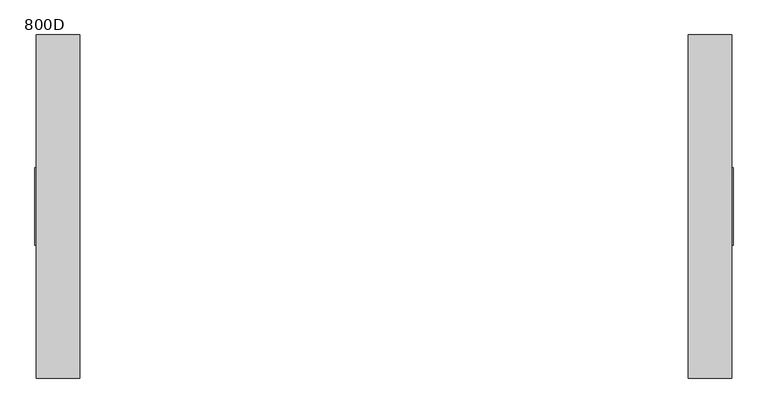
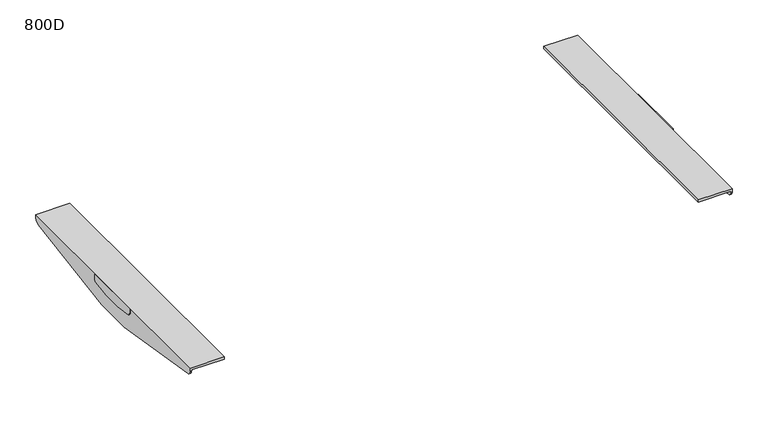
"""IFC4 building model written with IfcOpenShell, lengths in millimetres: furniture geometry, 800D."""

from ifc_helpers import new_model, si_unit, point, frame, frame_2d, origin, place, context, project, spatial, polyline, circle_curve, trimmed, segment, composite_curve, outline, extrude, source, transform, mapped, element, save
from ifc_brep_helpers import plane_surface, cylinder_surface, advanced_brep


def furniture_800d_79385704(model_context):
    return source(origin(), model_context, "Body", "SolidModel", [
        advanced_brep(
        [(583.0000006, -287.4963324, 716.0), (510.0000017, -287.4963324, 716.0), (510.0000017, -287.4963324, 710.4999723), (580.0000009, -287.4963324, 710.4999723), (580.0000009, -287.4963324, 708.4998128), (583.0000006, -287.4963324, 708.4998128), (580.0000009, 287.5036993, 710.4999723), (510.0000017, 287.5036993, 710.4999723), (510.0000017, 287.5036993, 716.0), (583.0000006, 287.5036993, 716.0), (583.0000006, 287.5036993, 708.4997591), (580.0000009, 287.5036993, 708.4997591), (580.0000009, 279.1150126, 698.6304207), (580.0000009, 42.5041219, 660.0), (580.0000009, -42.4967459, 660.0), (580.0000009, -279.1076002, 698.6304207), (583.0000006, -279.1076002, 698.6304207), (583.0000006, -42.4967459, 660.0), (583.0000006, 42.5041219, 660.0), (583.0000006, 279.1150126, 698.6304207)],
        [
            (0, 1),
            (1, 2),
            (2, 3),
            (3, 4),
            (4, 5),
            (5, 0),
            (6, 7),
            (7, 8),
            (8, 9),
            (9, 10),
            (10, 11),
            (11, 6),
            (3, 6),
            (11, 12, circle_curve(frame((580.0000009, 277.503689, 708.4997591), z_axis=(-1.0, 0.0, 0.0), x_axis=(0.0, 1.0, 0.0)), 10.0000103)),
            (12, 13),
            (13, 14),
            (14, 15),
            (15, 4, circle_curve(frame((580.0000009, -277.4962677, 708.4998128), z_axis=(-1.0, 0.0, 0.0), x_axis=(0.0, 1.0, 0.0)), 10.0000647)),
            (2, 7),
            (1, 8),
            (0, 9),
            (5, 16, circle_curve(frame((583.0000006, -277.4962677, 708.4998128), z_axis=(1.0, 0.0, 0.0), x_axis=(0.0, 1.0, 0.0)), 10.0000647)),
            (16, 17),
            (17, 18),
            (18, 19),
            (19, 10, circle_curve(frame((583.0000006, 277.503689, 708.4997591), z_axis=(1.0, 0.0, 0.0), x_axis=(0.0, 1.0, 0.0)), 10.0000103)),
            (17, 14),
            (13, 18),
            (12, 19),
            (16, 15),
        ],
        [
            plane_surface(frame((583.0000006, -287.4963324, 660.0), z_axis=(0.0, -1.0, 0.0), x_axis=(1.0, 0.0, 0.0))),
            plane_surface(frame((583.0000006, 287.5036993, 660.0), z_axis=(0.0, 1.0, 0.0), x_axis=(-1.0, 0.0, 0.0))),
            plane_surface(frame((580.0000009, -287.4963324, 710.4999723), z_axis=(-1.0, 0.0, 0.0), x_axis=(0.0, 1.0, 0.0))),
            plane_surface(frame((510.0000017, -287.4963324, 710.4999723), z_axis=(0.0, 0.0, -1.0), x_axis=(0.0, 1.0, 0.0))),
            plane_surface(frame((510.0000017, -287.4963324, 716.0), z_axis=(-1.0, 0.0, 0.0), x_axis=(0.0, 1.0, 0.0))),
            plane_surface(frame((583.0000006, -287.4963324, 716.0), z_axis=(0.0, 0.0, 1.0), x_axis=(0.0, 1.0, 0.0))),
            plane_surface(frame((583.0000006, -287.4963324, 660.0), z_axis=(1.0, 0.0, 0.0), x_axis=(0.0, 1.0, 0.0))),
            plane_surface(frame((580.0000009, -287.4963324, 660.0), z_axis=(0.0, 0.0, -1.0), x_axis=(0.0, 1.0, 0.0))),
            plane_surface(frame((510.0000017, 42.5041219, 660.0), z_axis=(0.0, 0.16113218812194072, -0.9869328335560813), x_axis=(1.0, 0.0, 0.0))),
            cylinder_surface(frame((585.0, 277.503689, 708.4997591), z_axis=(1.0, 0.0, 0.0), x_axis=(0.0, 1.0, 0.0)), 10.0000103),
            plane_surface(frame((510.0000017, -279.1076002, 698.6304207), z_axis=(0.0, -0.16113221222328436, -0.9869328296211605), x_axis=(1.0, 0.0, 0.0))),
            cylinder_surface(frame((1200.0, -277.4962677, 708.4998128), z_axis=(1.0, 0.0, 0.0), x_axis=(0.0, 1.0, 0.0)), 10.0000647),
        ],
        [
            (0, [[1, 2, 3, 4, 5, 6]]),
            (1, [[7, 8, 9, 10, 11, 12]]),
            (2, [[13, -12, 14, 15, 16, 17, 18, -4]]),
            (3, [[-3, 19, -7, -13]]),
            (4, [[-2, 20, -8, -19]]),
            (5, [[-1, 21, -9, -20]]),
            (6, [[-21, -6, 22, 23, 24, 25, 26, -10]]),
            (7, [[-24, 27, -16, 28]]),
            (8, [[29, -25, -28, -15]]),
            (9, [[-29, -14, -11, -26]]),
            (10, [[30, -17, -27, -23]]),
            (11, [[-30, -22, -5, -18]]),
        ],
    ),
        extrude(outline(composite_curve([segment(polyline([(-64.9962871, 716.0), (65.0036994, 716.0), (65.0036994, 705.7477915)]), True, "CONTINUOUS"), segment(trimmed(circle_curve(frame_2d((60.0513722, 705.7477915)), 4.9523271), [point((65.0036994, 705.7477915))], [point((60.8052275, 700.8531775))], False, "CARTESIAN"), True, "CONTINUOUS"), segment(polyline([(60.8052275, 700.8531775), (22.2562903, 694.5405645), (-21.9956935, 694.5405645), (-60.8043191, 700.8134996)]), True, "CONTINUOUS"), segment(trimmed(circle_curve(frame_2d((-59.996269, 705.7477915)), 5.0000181), [point((-60.8043191, 700.8134996))], [point((-64.9962871, 705.7477915))], False, "CARTESIAN"), True, "CONTINUOUS"), segment(polyline([(-64.9962871, 705.7477915), (-64.9962871, 716.0)]), True, "CONTINUOUS")], self_intersect=False)), frame((583.0000006, 0.0, 0.0), z_axis=(1.0, 0.0, 0.0), x_axis=(0.0, 1.0, 0.0)), (0.0, 0.0, 1.0), 1.9999994),
        advanced_brep(
        [(-580.0000009, -287.4963324, 710.4999723), (-510.0000017, -287.4963324, 710.4999723), (-510.0000017, -287.4963324, 716.0), (-583.0000006, -287.4963324, 716.0), (-583.0000006, -287.4963324, 708.4998128), (-580.0000009, -287.4963324, 708.4998128), (-583.0000006, 287.5036993, 716.0), (-510.0000017, 287.5036993, 716.0), (-510.0000017, 287.5036993, 710.4999723), (-580.0000009, 287.5036993, 710.4999723), (-580.0000009, 287.5036993, 708.4997591), (-583.0000006, 287.5036993, 708.4997591), (-580.0000009, -279.1076002, 698.6304207), (-580.0000009, -42.4967459, 660.0), (-580.0000009, 42.5041219, 660.0), (-580.0000009, 279.1150126, 698.6304207), (-583.0000006, 279.1150126, 698.6304207), (-583.0000006, 42.5041219, 660.0), (-583.0000006, -42.4967459, 660.0), (-583.0000006, -279.1076002, 698.6304207)],
        [
            (0, 1),
            (1, 2),
            (2, 3),
            (3, 4),
            (4, 5),
            (5, 0),
            (6, 7),
            (7, 8),
            (8, 9),
            (9, 10),
            (10, 11),
            (11, 6),
            (9, 0),
            (5, 12, circle_curve(frame((-580.0000009, -277.4962677, 708.4998128), z_axis=(1.0, 0.0, 0.0), x_axis=(0.0, 1.0, 0.0)), 10.0000647)),
            (12, 13),
            (13, 14),
            (14, 15),
            (15, 10, circle_curve(frame((-580.0000009, 277.503689, 708.4997591), z_axis=(1.0, 0.0, 0.0), x_axis=(0.0, 1.0, 0.0)), 10.0000103)),
            (8, 1),
            (7, 2),
            (6, 3),
            (11, 16, circle_curve(frame((-583.0000006, 277.503689, 708.4997591), z_axis=(-1.0, 0.0, 0.0), x_axis=(0.0, 1.0, 0.0)), 10.0000103)),
            (16, 17),
            (17, 18),
            (18, 19),
            (19, 4, circle_curve(frame((-583.0000006, -277.4962677, 708.4998128), z_axis=(-1.0, 0.0, 0.0), x_axis=(0.0, 1.0, 0.0)), 10.0000647)),
            (13, 18),
            (17, 14),
            (16, 15),
            (12, 19),
        ],
        [
            plane_surface(frame((-580.0000009, -287.4963324, 660.0), z_axis=(0.0, -1.0, 0.0), x_axis=(0.0, 0.0, 1.0))),
            plane_surface(frame((-580.0000009, 287.5036993, 660.0), z_axis=(0.0, 1.0, 0.0), x_axis=(0.0, 0.0, -1.0))),
            plane_surface(frame((-580.0000009, -287.4963324, 660.0), z_axis=(1.0, 0.0, 0.0), x_axis=(0.0, 1.0, 0.0))),
            plane_surface(frame((-580.0000009, -287.4963324, 710.4999723), z_axis=(0.0, 0.0, -1.0), x_axis=(0.0, 1.0, 0.0))),
            plane_surface(frame((-510.0000017, -287.4963324, 710.4999723), z_axis=(1.0, 0.0, 0.0), x_axis=(0.0, 1.0, 0.0))),
            plane_surface(frame((-510.0000017, -287.4963324, 716.0), z_axis=(0.0, 0.0, 1.0), x_axis=(0.0, 1.0, 0.0))),
            plane_surface(frame((-583.0000006, -287.4963324, 716.0), z_axis=(-1.0, 0.0, 0.0), x_axis=(0.0, 1.0, 0.0))),
            plane_surface(frame((-583.0000006, -287.4963324, 660.0), z_axis=(0.0, 0.0, -1.0), x_axis=(0.0, 1.0, 0.0))),
            plane_surface(frame((-510.0000017, 279.1150126, 698.6304207), z_axis=(0.0, 0.16113218812194124, -0.9869328335560812), x_axis=(-1.0, 0.0, 0.0))),
            cylinder_surface(frame((-583.0000006, 277.503689, 708.4997591), z_axis=(-1.0, 0.0, 0.0), x_axis=(0.0, 1.0, 0.0)), 10.0000103),
            plane_surface(frame((-510.0000017, -42.4967459, 660.0), z_axis=(0.0, -0.16113221222328436, -0.9869328296211605), x_axis=(-1.0, 0.0, 0.0))),
            cylinder_surface(frame((0.0, -277.4962677, 708.4998128), z_axis=(-1.0, 0.0, 0.0), x_axis=(0.0, 1.0, 0.0)), 10.0000647),
        ],
        [
            (0, [[1, 2, 3, 4, 5, 6]]),
            (1, [[7, 8, 9, 10, 11, 12]]),
            (2, [[13, -6, 14, 15, 16, 17, 18, -10]]),
            (3, [[-1, -13, -9, 19]]),
            (4, [[-2, -19, -8, 20]]),
            (5, [[-3, -20, -7, 21]]),
            (6, [[-21, -12, 22, 23, 24, 25, 26, -4]]),
            (7, [[-16, 27, -24, 28]]),
            (8, [[29, -17, -28, -23]]),
            (9, [[-29, -22, -11, -18]]),
            (10, [[30, -25, -27, -15]]),
            (11, [[-30, -14, -5, -26]]),
        ],
    ),
        extrude(outline(composite_curve([segment(polyline([(-64.9962871, 716.0), (65.0036994, 716.0), (65.0036994, 705.7477915)]), True, "CONTINUOUS"), segment(trimmed(circle_curve(frame_2d((60.0513722, 705.7477915)), 4.9523271), [point((65.0036994, 705.7477915))], [point((60.8052275, 700.8531775))], False, "CARTESIAN"), True, "CONTINUOUS"), segment(polyline([(60.8052275, 700.8531775), (22.2562903, 694.5405645), (-21.9956935, 694.5405645), (-60.8043191, 700.8134996)]), True, "CONTINUOUS"), segment(trimmed(circle_curve(frame_2d((-59.996269, 705.7477915)), 5.0000181), [point((-60.8043191, 700.8134996))], [point((-64.9962871, 705.7477915))], False, "CARTESIAN"), True, "CONTINUOUS"), segment(polyline([(-64.9962871, 705.7477915), (-64.9962871, 716.0)]), True, "CONTINUOUS")], self_intersect=False)), frame((-585.0, 0.0, 0.0), z_axis=(1.0, 0.0, 0.0), x_axis=(0.0, 1.0, 0.0)), (0.0, 0.0, 1.0), 1.9999994),
    ])


if __name__ == "__main__":
    model = new_model("IFC4")
    model_context = context("Model", 3, world=origin())
    ifc_project = project(units=[si_unit("LENGTHUNIT", "METRE", prefix="MILLI")], contexts=[model_context])
    site = spatial("IfcSite", under=ifc_project)
    building = spatial("IfcBuilding", under=site)
    placement = place(None, origin())
    furniture_800d_shape = furniture_800d_79385704(model_context)
    element("IfcFurniture", 1, ObjectType="800D", at=placement, inside=building, context=model_context, shape_type="MappedRepresentation", body=[
        mapped(furniture_800d_shape, transform((0.0, 0.0, 0.0), x_axis=(1.0, 0.0, 0.0), y_axis=(0.0, 1.0, 0.0), z_axis=(0.0, 0.0, 1.0))),
    ])
    save(model, "model.ifc")
